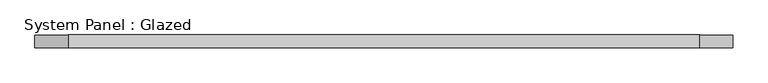
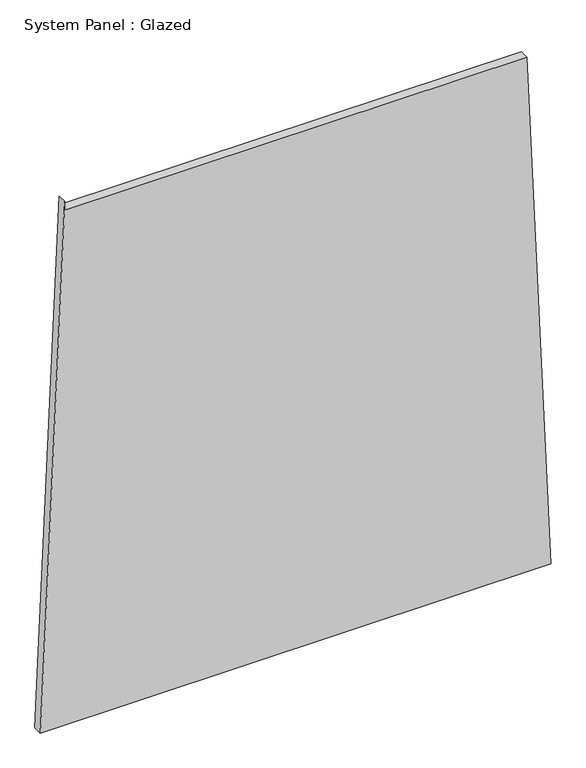
"""IFC4 building model written with IfcOpenShell, lengths in millimetres: plate geometry, System Panel : Glazed."""

from ifc_helpers import new_model, si_unit, frame, origin, place, context, project, spatial, polyline, outline, extrude, source, transform, mapped, element, save


def system_panel_glazed_7a5579b5(model_context):
    return source(origin(), model_context, "Body", "SweptSolid", [
        extrude(outline(polyline([(0.0, -680.1237459), (0.0, 680.1237459), (1448.5408642, 616.1833217), (1448.5408962, -615.0751287), (1473.5408962, -615.075128), (0.0, -680.1237459)])), frame((0.0, -49.5, 0.0), z_axis=(0.0, 1.0, 0.0), x_axis=(0.0, 0.0, 1.0)), (0.0, 0.0, 1.0), 25.0),
    ])


if __name__ == "__main__":
    model = new_model("IFC4")
    model_context = context("Model", 3, world=origin())
    ifc_project = project(units=[si_unit("LENGTHUNIT", "METRE", prefix="MILLI")], contexts=[model_context])
    site = spatial("IfcSite", under=ifc_project)
    building = spatial("IfcBuilding", under=site)
    placement = place(None, origin())
    system_panel_glazed_shape = system_panel_glazed_7a5579b5(model_context)
    element("IfcPlate", 1, ObjectType="System Panel : Glazed", at=placement, inside=building, context=model_context, shape_type="MappedRepresentation", body=[
        mapped(system_panel_glazed_shape, transform((0.0, 0.0, 0.0), x_axis=(1.0, 0.0, 0.0), y_axis=(0.0, 1.0, 0.0), z_axis=(0.0, 0.0, 1.0))),
    ])
    save(model, "model.ifc")
